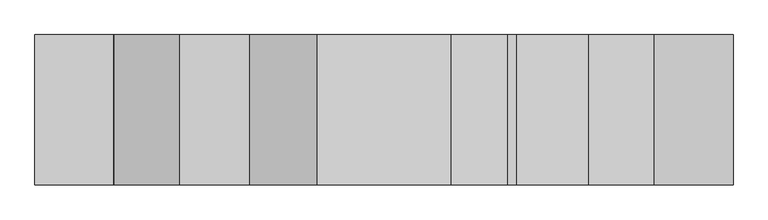
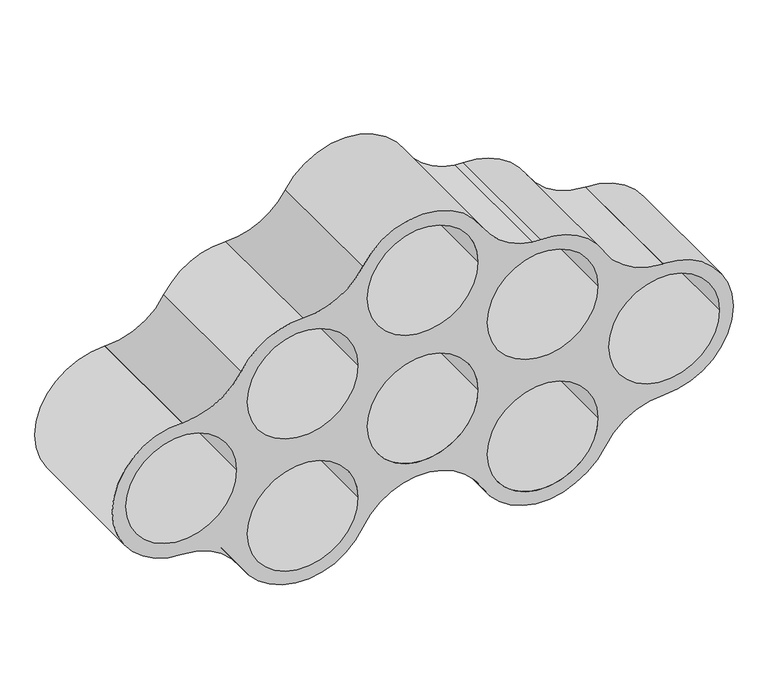
"""IFC4 building model written with IfcOpenShell, lengths in millimetres: furniture geometry."""

from ifc_helpers import new_model, si_unit, point, frame, frame_2d, origin, place, context, project, spatial, circle_curve, trimmed, segment, composite_curve, outline, extrude, source, transform, mapped, element, save


def furniture_6b043196(model_context):
    return source(origin(), model_context, "Body", "SweptSolid", [
        extrude(outline(composite_curve([segment(trimmed(circle_curve(frame_2d((1035.364584, 582.1326)), 202.9316867), [point((932.8854982, 757.2876925))], [point((832.4538556, 579.2161347))], True, "CARTESIAN"), True, "CONTINUOUS"), segment(trimmed(circle_curve(frame_2d((621.3822927, 576.1823726)), 211.0933641), [point((832.4538556, 579.2161347))], [point((728.4040493, 394.2297635))], False, "CARTESIAN"), True, "CONTINUOUS"), segment(trimmed(circle_curve(frame_2d((831.8993013, 218.2727269)), 204.1375662), [point((728.4040493, 394.2297635))], [point((627.7629545, 218.9783153))], True, "CARTESIAN"), True, "CONTINUOUS"), segment(trimmed(circle_curve(frame_2d((729.3623476, 218.6271414)), 101.6), [point((627.7629545, 218.9783153))], [point((627.7650257, 217.8894524))], True, "CARTESIAN"), True, "CONTINUOUS"), segment(trimmed(circle_curve(frame_2d((419.978982, 216.3807366)), 207.7915209), [point((627.7650257, 217.8894524))], [point((212.1874611, 216.3807366))], False, "CARTESIAN"), True, "CONTINUOUS"), segment(trimmed(circle_curve(frame_2d((9.7465574, 215.9834218)), 202.4412936), [point((212.1874611, 216.3807366))], [point((110.8147253, 391.3906702))], True, "CARTESIAN"), True, "CONTINUOUS"), segment(trimmed(circle_curve(frame_2d((220.1466868, 581.1400142)), 218.9938158), [point((110.8147253, 391.3906702))], [point((2.5187069, 556.7196593))], False, "CARTESIAN"), True, "CONTINUOUS"), segment(trimmed(circle_curve(frame_2d((204.451375, 579.3788203)), 203.2), [point((2.5187069, 556.7196593))], [point((108.155787, 758.3128856))], False, "CARTESIAN"), True, "CONTINUOUS"), segment(trimmed(circle_curve(frame_2d((12.2369608, 936.5468616)), 202.4049689), [point((108.155787, 758.3128856))], [point((108.1478655, 1114.7851005))], True, "CARTESIAN"), True, "CONTINUOUS"), segment(trimmed(circle_curve(frame_2d((204.4355008, 1293.7234454)), 203.2), [point((108.1478655, 1114.7851005))], [point((2.2985989, 1314.4818863))], False, "CARTESIAN"), True, "CONTINUOUS"), segment(trimmed(circle_curve(frame_2d((220.1466868, 1292.1099858)), 218.9938158), [point((2.2985989, 1314.4818863))], [point((110.8147253, 1481.8593298))], False, "CARTESIAN"), True, "CONTINUOUS"), segment(trimmed(circle_curve(frame_2d((9.7465574, 1657.2665782)), 202.4412936), [point((110.8147253, 1481.8593298))], [point((212.1874611, 1656.8692634))], True, "CARTESIAN"), True, "CONTINUOUS"), segment(trimmed(circle_curve(frame_2d((419.978982, 1656.8692634)), 207.7915209), [point((212.1874611, 1656.8692634))], [point((627.7650257, 1655.3605476))], False, "CARTESIAN"), True, "CONTINUOUS"), segment(trimmed(circle_curve(frame_2d((729.3623476, 1654.6228586)), 101.6), [point((627.7650257, 1655.3605476))], [point((627.7629545, 1654.2716847))], True, "CARTESIAN"), True, "CONTINUOUS"), segment(trimmed(circle_curve(frame_2d((831.8993013, 1654.9772731)), 204.1375662), [point((627.7629545, 1654.2716847))], [point((728.4040493, 1479.0202365))], True, "CARTESIAN"), True, "CONTINUOUS"), segment(trimmed(circle_curve(frame_2d((621.3822927, 1297.0676274)), 211.0933641), [point((728.4040493, 1479.0202365))], [point((832.3460371, 1289.6712157))], False, "CARTESIAN"), True, "CONTINUOUS"), segment(trimmed(circle_curve(frame_2d((984.6524575, 1284.3313362)), 152.4), [point((832.3460371, 1289.6712157))], [point((833.5864757, 1264.2109695))], True, "CARTESIAN"), True, "CONTINUOUS"), segment(trimmed(circle_curve(frame_2d((1035.0077847, 1291.0381251)), 203.2), [point((833.5864757, 1264.2109695))], [point((932.6368145, 1115.5091405))], True, "CARTESIAN"), True, "CONTINUOUS"), segment(trimmed(circle_curve(frame_2d((828.1345627, 936.3257829)), 207.4304613), [point((932.6368145, 1115.5091405))], [point((932.8854982, 757.2876925))], False, "CARTESIAN"), True, "CONTINUOUS")], self_intersect=False), holes=[composite_curve([segment(trimmed(circle_curve(frame_2d((827.0836727, 936.8192348)), 165.1), [point((827.0836727, 1101.9192348))], [point((827.0836727, 771.7192348))], True, "CARTESIAN"), True, "CONTINUOUS"), segment(trimmed(circle_curve(frame_2d((827.0836727, 936.8192348)), 165.1), [point((827.0836727, 771.7192348))], [point((827.0836727, 1101.9192348))], True, "CARTESIAN"), True, "CONTINUOUS")], self_intersect=False), composite_curve([segment(trimmed(circle_curve(frame_2d((421.7911523, 936.8192348)), 165.1), [point((421.7911523, 1101.9192348))], [point((421.7911523, 771.7192348))], True, "CARTESIAN"), True, "CONTINUOUS"), segment(trimmed(circle_curve(frame_2d((421.7911523, 936.8192348)), 165.1), [point((421.7911523, 771.7192348))], [point((421.7911523, 1101.9192348))], True, "CARTESIAN"), True, "CONTINUOUS")], self_intersect=False), composite_curve([segment(trimmed(circle_curve(frame_2d((625.4471844, 577.8380579)), 165.1), [point((625.4471844, 742.9380579))], [point((625.4471844, 412.7380579))], True, "CARTESIAN"), True, "CONTINUOUS"), segment(trimmed(circle_curve(frame_2d((625.4471844, 577.8380579)), 165.1), [point((625.4471844, 412.7380579))], [point((625.4471844, 742.9380579))], True, "CARTESIAN"), True, "CONTINUOUS")], self_intersect=False), composite_curve([segment(trimmed(circle_curve(frame_2d((207.7025159, 577.8380579)), 165.1), [point((207.7025159, 742.9380579))], [point((207.7025159, 412.7380579))], True, "CARTESIAN"), True, "CONTINUOUS"), segment(trimmed(circle_curve(frame_2d((207.7025159, 577.8380579)), 165.1), [point((207.7025159, 412.7380579))], [point((207.7025159, 742.9380579))], True, "CARTESIAN"), True, "CONTINUOUS")], self_intersect=False), composite_curve([segment(trimmed(circle_curve(frame_2d((421.8014388, 214.8990558)), 165.1), [point((421.8014388, 379.9990558))], [point((421.8014388, 49.7990558))], True, "CARTESIAN"), True, "CONTINUOUS"), segment(trimmed(circle_curve(frame_2d((421.8014388, 214.8990558)), 165.1), [point((421.8014388, 49.7990558))], [point((421.8014388, 379.9990558))], True, "CARTESIAN"), True, "CONTINUOUS")], self_intersect=False), composite_curve([segment(trimmed(circle_curve(frame_2d((625.4471844, 1295.4119421)), 165.1), [point((625.4471844, 1460.5119421))], [point((625.4471844, 1130.3119421))], True, "CARTESIAN"), True, "CONTINUOUS"), segment(trimmed(circle_curve(frame_2d((625.4471844, 1295.4119421)), 165.1), [point((625.4471844, 1130.3119421))], [point((625.4471844, 1460.5119421))], True, "CARTESIAN"), True, "CONTINUOUS")], self_intersect=False), composite_curve([segment(trimmed(circle_curve(frame_2d((207.7025159, 1295.4119421)), 165.1), [point((207.7025159, 1460.5119421))], [point((207.7025159, 1130.3119421))], True, "CARTESIAN"), True, "CONTINUOUS"), segment(trimmed(circle_curve(frame_2d((207.7025159, 1295.4119421)), 165.1), [point((207.7025159, 1130.3119421))], [point((207.7025159, 1460.5119421))], True, "CARTESIAN"), True, "CONTINUOUS")], self_intersect=False), composite_curve([segment(trimmed(circle_curve(frame_2d((421.8014388, 1658.3509442)), 165.1), [point((421.8014388, 1823.4509442))], [point((421.8014388, 1493.2509442))], True, "CARTESIAN"), True, "CONTINUOUS"), segment(trimmed(circle_curve(frame_2d((421.8014388, 1658.3509442)), 165.1), [point((421.8014388, 1493.2509442))], [point((421.8014388, 1823.4509442))], True, "CARTESIAN"), True, "CONTINUOUS")], self_intersect=False)]), frame((0.0, -400.05, 0.0), z_axis=(0.0, 1.0, 0.0), x_axis=(0.0, 0.0, 1.0)), (0.0, 0.0, 1.0), 400.05),
    ])


if __name__ == "__main__":
    model = new_model("IFC4")
    model_context = context("Model", 3, world=origin())
    ifc_project = project(units=[si_unit("LENGTHUNIT", "METRE", prefix="MILLI")], contexts=[model_context])
    site = spatial("IfcSite", under=ifc_project)
    building = spatial("IfcBuilding", under=site)
    placement = place(None, origin())
    furniture_shape = furniture_6b043196(model_context)
    element("IfcFurniture", 1, at=placement, inside=building, context=model_context, shape_type="MappedRepresentation", body=[
        mapped(furniture_shape, transform((0.0, 0.0, 0.0), x_axis=(1.0, 0.0, 0.0), y_axis=(0.0, 1.0, 0.0), z_axis=(0.0, 0.0, 1.0))),
    ])
    save(model, "model.ifc")
